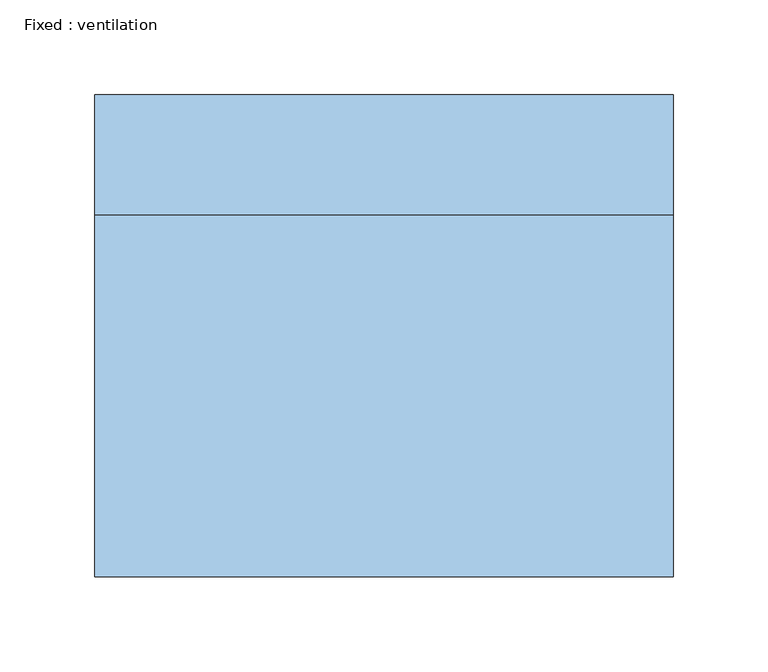
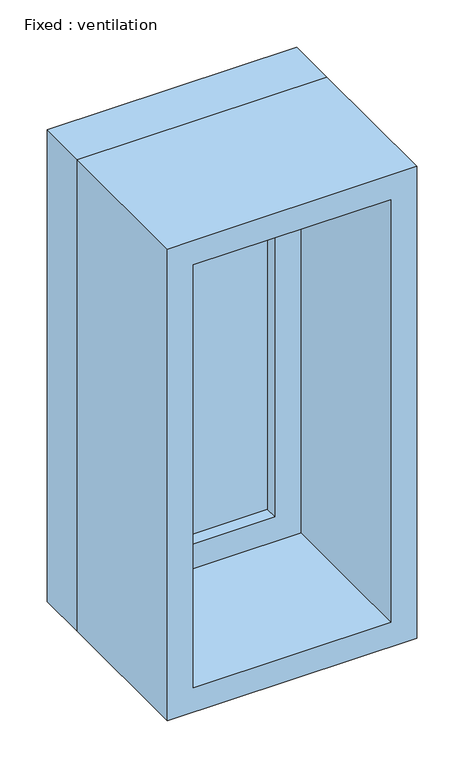
"""IFC4 building model written with IfcOpenShell, lengths in millimetres: window geometry, Fixed : ventilation."""

from ifc_helpers import new_model, si_unit, frame, origin, place, context, project, spatial, polyline, outline, extrude, source, transform, mapped, element, save


def fixed_ventilation_652c5f04(model_context):
    return source(origin(), model_context, "Body", "SweptSolid", [
        extrude(outline(polyline([(50.8, 79.375), (-127.0, 79.375), (-127.0, 92.075), (50.8, 92.075), (50.8, 79.375)])), frame((0.0, 0.0, 1892.3), z_axis=(0.0, 0.0, 1.0), x_axis=(1.0, 0.0, 0.0)), (0.0, 0.0, 1.0), 482.6),
        extrude(outline(polyline([(2419.35, -171.45), (1847.85, -171.45), (1847.85, 95.25), (2419.35, 95.25), (2419.35, -171.45)]), holes=[polyline([(2374.9, -127.0), (2374.9, 50.8), (1892.3, 50.8), (1892.3, -127.0), (2374.9, -127.0)])]), frame((0.0, 63.5, 0.0), z_axis=(0.0, 1.0, 0.0), x_axis=(0.0, 0.0, 1.0)), (0.0, 0.0, 1.0), 44.45),
        extrude(outline(polyline([(2438.4, -190.5), (1828.8, -190.5), (1828.8, 114.3), (2438.4, 114.3), (2438.4, -190.5)]), holes=[polyline([(2406.65, -158.75), (2406.65, 82.55), (1860.55, 82.55), (1860.55, -158.75), (2406.65, -158.75)])]), frame((0.0, -127.0, 0.0), z_axis=(0.0, 1.0, 0.0), x_axis=(0.0, 0.0, 1.0)), (0.0, 0.0, 1.0), 190.5),
        extrude(outline(polyline([(2438.4, 114.3), (2438.4, -190.5), (1828.8, -190.5), (1828.8, 114.3), (2438.4, 114.3)]), holes=[polyline([(2419.35, 95.25), (1847.85, 95.25), (1847.85, -171.45), (2419.35, -171.45), (2419.35, 95.25)])]), frame((0.0, 63.5, 0.0), z_axis=(0.0, 1.0, 0.0), x_axis=(0.0, 0.0, 1.0)), (0.0, 0.0, 1.0), 63.5),
    ])


if __name__ == "__main__":
    model = new_model("IFC4")
    model_context = context("Model", 3, world=origin())
    ifc_project = project(units=[si_unit("LENGTHUNIT", "METRE", prefix="MILLI")], contexts=[model_context])
    site = spatial("IfcSite", under=ifc_project)
    building = spatial("IfcBuilding", under=site)
    placement = place(None, origin())
    fixed_ventilation_shape = fixed_ventilation_652c5f04(model_context)
    element("IfcWindow", 1, ObjectType="Fixed : ventilation", at=placement, inside=building, context=model_context, shape_type="MappedRepresentation", body=[
        mapped(fixed_ventilation_shape, transform((0.0, 0.0, 0.0), x_axis=(1.0, 0.0, 0.0), y_axis=(0.0, 1.0, 0.0), z_axis=(0.0, 0.0, 1.0))),
    ])
    save(model, "model.ifc")
